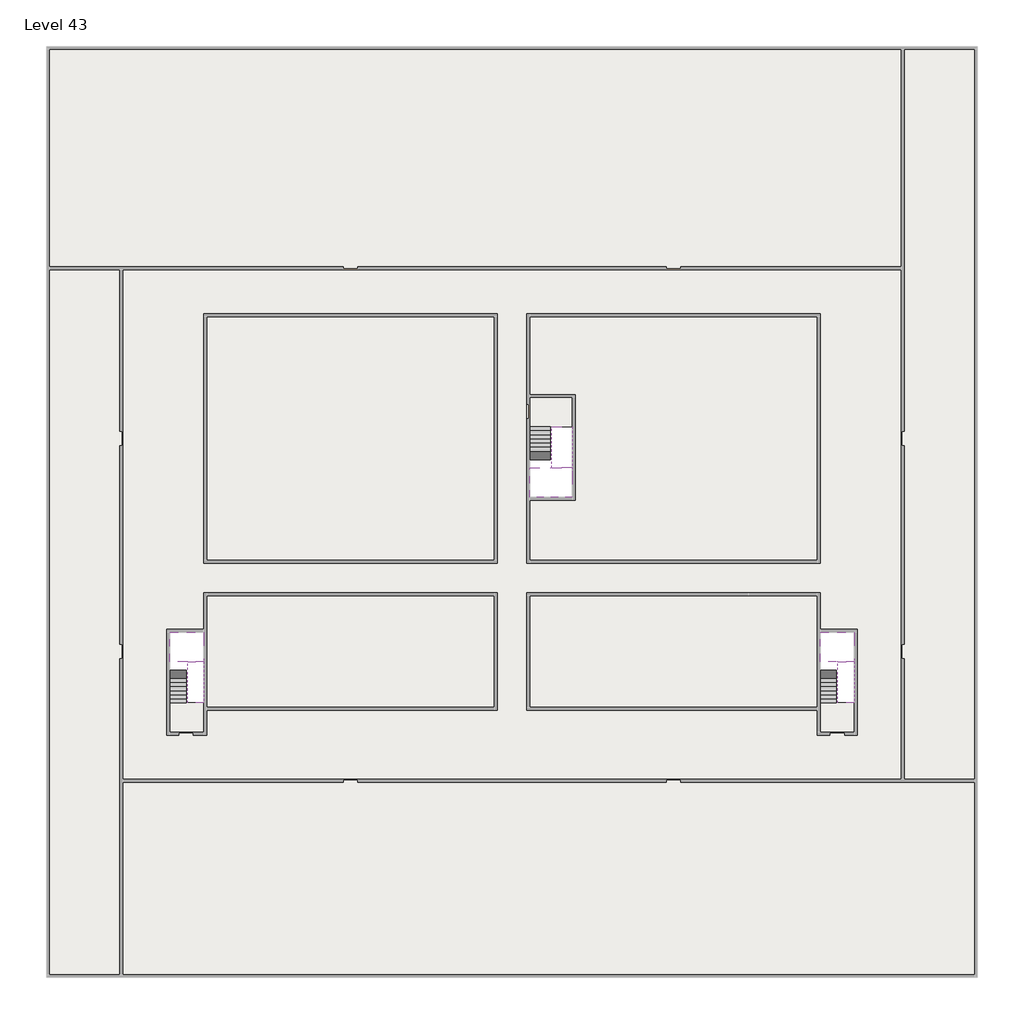
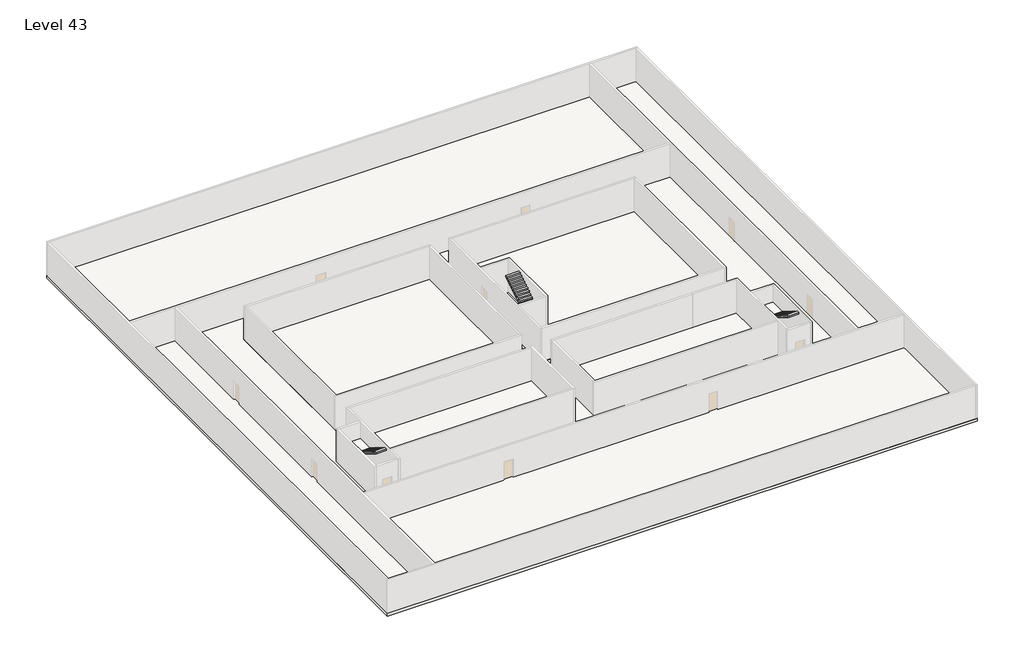
# One storey, part 2 of 2: 6 slabs, 6 stair flights.
"""IFC4 building model written with IfcOpenShell, lengths in millimetres."""

from ifc_helpers import new_model, si_unit, frame, origin, place, context, project, spatial, polyline, outline, extrude, faceted_brep, element, save

model = new_model("IFC4")

# Units and contexts
model_context = context("Model", 3, world=origin())
ifc_project = project(units=[si_unit("LENGTHUNIT", "METRE", prefix="MILLI")], contexts=[model_context])

# Site, building, storey
site = spatial("IfcSite", under=ifc_project)
building = spatial("IfcBuilding", under=site)
storey = spatial("IfcBuildingStorey", under=building, Name="Level 43", Elevation=159600.0)

# Slabs
placement = place(None, origin())
element("IfcSlab", 1, at=placement, inside=storey, context=model_context, shape_type="SweptSolid", body=[
    extrude(outline(polyline([(55890.1058784, -5518.09644), (55890.1058784, -68918.09644), (-7509.8941216, -68918.09644), (-7509.8941216, -5518.09644), (55890.1058784, -5518.09644)]), holes=[polyline([(23190.1058784, -23718.09644), (3190.1058784, -23718.09644), (3190.1058784, -40718.09644), (23190.1058784, -40718.09644), (23190.1058784, -23718.09644)]), polyline([(45190.1058784, -23718.09644), (25190.1058784, -23718.09644), (25190.1058784, -40718.09644), (45190.1058784, -40718.09644), (45190.1058784, -23718.09644)]), polyline([(23190.1058784, -42718.09644), (3390.1058784, -42718.09644), (3390.1058784, -45418.09644), (890.1058784, -45418.09644), (890.1058784, -52218.09644), (3190.1058784, -52218.09644), (3190.1058784, -50718.09644), (23190.1058784, -50718.09644), (23190.1058784, -42718.09644)]), polyline([(44990.1058784, -42718.09644), (25190.1058784, -42718.09644), (25190.1058784, -50718.09644), (45190.1058784, -50718.09644), (45190.1058784, -52218.09644), (47490.1058784, -52218.09644), (47490.1058784, -45418.09644), (44990.1058784, -45418.09644), (44990.1058784, -42718.09644)])]), frame((0.0, 0.0, 159300.0), z_axis=(0.0, 0.0, 1.0), x_axis=(1.0, 0.0, 0.0)), (0.0, 0.0, 1.0), 300.0),
])
element("IfcSlab", 2, at=placement, inside=storey, context=model_context, shape_type="Brep", body=[
    faceted_brep([(26790.1058784, -34218.09644, 161500.0), (25390.1058784, -34218.09644, 161500.0), (25390.1058784, -34297.4828763, 161500.0), (25390.1058784, -36218.09644, 161500.0), (28290.1058784, -36218.09644, 161500.0), (28290.1058784, -34418.7100038, 161500.0), (28290.1058784, -34218.09644, 161500.0), (26890.1058784, -34218.09644, 161500.0), (26790.1058784, -34218.09644, 161200.0), (26790.1058784, -34218.09644, 161151.0278478), (25390.1058784, -34218.09644, 161151.0278478), (25390.1058784, -34218.09644, 161327.2727273), (25390.1058784, -34297.4828763, 161200.0), (25390.1058784, -36218.09644, 161200.0), (28290.1058784, -36218.09644, 161200.0), (28290.1058784, -34418.7100038, 161200.0), (28290.1058784, -34218.09644, 161323.7551205), (26890.1058784, -34218.09644, 161323.7551205), (26890.1058784, -34218.09644, 161200.0), (26890.1058784, -34418.7100038, 161200.0), (26790.1058784, -34297.4828763, 161200.0)], [[[0, 1, 2, 3, 4, 5, 6, 7]], [[1, 0, 8, 9, 10, 11]], [[1, 11, 10, 12, 13, 3, 2]], [[4, 3, 13, 14]], [[4, 14, 15, 16, 6, 5]], [[7, 6, 16, 17]], [[0, 7, 17, 18, 8]], [[18, 19, 15, 14, 13, 12, 20, 8]], [[19, 18, 17]], [[20, 12, 10, 9]], [[8, 20, 9]], [[15, 19, 17, 16]]]),
])
element("IfcSlab", 3, at=placement, inside=storey, context=model_context, shape_type="Brep", body=[
    faceted_brep([(45190.1058784, -47418.09644, 161500.0), (46290.1058784, -47418.09644, 161500.0), (46390.1058784, -47418.09644, 161500.0), (47490.1058784, -47418.09644, 161500.0), (47490.1058784, -47217.4828763, 161500.0), (47490.1058784, -45418.09644, 161500.0), (45190.1058784, -45418.09644, 161500.0), (45190.1058784, -47338.7100038, 161500.0), (45190.1058784, -47418.09644, 161327.2727273), (45190.1058784, -47418.09644, 161151.0278478), (46290.1058784, -47418.09644, 161151.0278478), (46290.1058784, -47418.09644, 161200.0), (46390.1058784, -47418.09644, 161200.0), (46390.1058784, -47418.09644, 161323.7551205), (47490.1058784, -47418.09644, 161323.7551205), (47490.1058784, -47217.4828763, 161200.0), (47490.1058784, -45418.09644, 161200.0), (45190.1058784, -45418.09644, 161200.0), (45190.1058784, -47338.7100038, 161200.0), (46390.1058784, -47217.4828763, 161200.0), (46290.1058784, -47338.7100038, 161200.0)], [[[0, 1, 2, 3, 4, 5, 6, 7]], [[1, 0, 8, 9, 10, 11]], [[2, 1, 11, 12, 13]], [[3, 2, 13, 14]], [[3, 14, 15, 16, 5, 4]], [[6, 5, 16, 17]], [[9, 8, 0, 7, 6, 17, 18]], [[19, 12, 11, 20, 18, 17, 16, 15]], [[12, 19, 13]], [[18, 20, 10, 9]], [[20, 11, 10]], [[19, 15, 14, 13]]]),
])
element("IfcSlab", 4, at=placement, inside=storey, context=model_context, shape_type="Brep", body=[
    faceted_brep([(890.1058784, -47418.09644, 161500.0), (1990.1058784, -47418.09644, 161500.0), (2090.1058784, -47418.09644, 161500.0), (3190.1058784, -47418.09644, 161500.0), (3190.1058784, -47217.4828763, 161500.0), (3190.1058784, -45418.09644, 161500.0), (890.1058784, -45418.09644, 161500.0), (890.1058784, -47338.7100038, 161500.0), (890.1058784, -47418.09644, 161327.2727273), (890.1058784, -47418.09644, 161151.0278478), (1990.1058784, -47418.09644, 161151.0278478), (1990.1058784, -47418.09644, 161200.0), (2090.1058784, -47418.09644, 161200.0), (2090.1058784, -47418.09644, 161323.7551205), (3190.1058784, -47418.09644, 161323.7551205), (3190.1058784, -47217.4828763, 161200.0), (3190.1058784, -45418.09644, 161200.0), (890.1058784, -45418.09644, 161200.0), (890.1058784, -47338.7100038, 161200.0), (2090.1058784, -47217.4828763, 161200.0), (1990.1058784, -47338.7100038, 161200.0)], [[[0, 1, 2, 3, 4, 5, 6, 7]], [[1, 0, 8, 9, 10, 11]], [[2, 1, 11, 12, 13]], [[3, 2, 13, 14]], [[3, 14, 15, 16, 5, 4]], [[6, 5, 16, 17]], [[9, 8, 0, 7, 6, 17, 18]], [[19, 12, 11, 20, 18, 17, 16, 15]], [[12, 19, 13]], [[18, 20, 10, 9]], [[20, 11, 10]], [[19, 15, 14, 13]]]),
])
element("IfcSlab", 5, at=placement, inside=storey, context=model_context, shape_type="SweptSolid", body=[
    extrude(outline(polyline([(22990.1058784, -23918.09644), (22990.1058784, -40518.09644), (3390.1058784, -40518.09644), (3390.1058784, -23918.09644), (22990.1058784, -23918.09644)])), frame((0.0, 0.0, 159300.0), z_axis=(0.0, 0.0, 1.0), x_axis=(1.0, 0.0, 0.0)), (0.0, 0.0, 1.0), 300.0),
    extrude(outline(polyline([(44990.1058784, -23918.09644), (44990.1058784, -40518.09644), (25390.1058784, -40518.09644), (25390.1058784, -36418.09644), (28490.1058784, -36418.09644), (28490.1058784, -29218.09644), (25390.1058784, -29218.09644), (25390.1058784, -23918.09644), (44990.1058784, -23918.09644)])), frame((0.0, 0.0, 159300.0), z_axis=(0.0, 0.0, 1.0), x_axis=(1.0, 0.0, 0.0)), (0.0, 0.0, 1.0), 300.0),
    extrude(outline(polyline([(22990.1058784, -42918.09644), (22990.1058784, -50518.09644), (3390.1058784, -50518.09644), (3390.1058784, -42918.09644), (22990.1058784, -42918.09644)])), frame((0.0, 0.0, 159300.0), z_axis=(0.0, 0.0, 1.0), x_axis=(1.0, 0.0, 0.0)), (0.0, 0.0, 1.0), 300.0),
    extrude(outline(polyline([(44990.1058784, -42918.09644), (44990.1058784, -50518.09644), (25390.1058784, -50518.09644), (25390.1058784, -42918.09644), (44990.1058784, -42918.09644)])), frame((0.0, 0.0, 159300.0), z_axis=(0.0, 0.0, 1.0), x_axis=(1.0, 0.0, 0.0)), (0.0, 0.0, 1.0), 300.0),
])
element("IfcSlab", 6, at=placement, inside=storey, context=model_context, shape_type="SweptSolid", body=[
    extrude(outline(polyline([(28290.1058784, -29418.09644), (28290.1058784, -31418.09644), (25190.1058784, -31418.09644), (25190.1058784, -29418.09644), (28290.1058784, -29418.09644)])), frame((0.0, 0.0, 159300.0), z_axis=(0.0, 0.0, 1.0), x_axis=(1.0, 0.0, 0.0)), (0.0, 0.0, 1.0), 300.0),
    extrude(outline(polyline([(3190.1058784, -50218.09644), (3190.1058784, -52218.09644), (890.1058784, -52218.09644), (890.1058784, -50218.09644), (3190.1058784, -50218.09644)])), frame((0.0, 0.0, 159300.0), z_axis=(0.0, 0.0, 1.0), x_axis=(1.0, 0.0, 0.0)), (0.0, 0.0, 1.0), 300.0),
    extrude(outline(polyline([(47490.1058784, -50218.09644), (47490.1058784, -52218.09644), (45190.1058784, -52218.09644), (45190.1058784, -50218.09644), (47490.1058784, -50218.09644)])), frame((0.0, 0.0, 159300.0), z_axis=(0.0, 0.0, 1.0), x_axis=(1.0, 0.0, 0.0)), (0.0, 0.0, 1.0), 300.0),
])

# Stair flights
element("IfcStairFlight", 7, at=placement, inside=storey, context=model_context, shape_type="Brep", body=[
    faceted_brep([(26790.1058784, -31698.09644, 159772.7272727), (26790.1058784, -31418.09644, 159772.7272727), (25390.1058784, -31418.09644, 159772.7272727), (25390.1058784, -31698.09644, 159772.7272727), (26790.1058784, -31698.09644, 159600.0), (26790.1058784, -31418.09644, 159600.0), (25390.1058784, -31418.09644, 159600.0), (25390.1058784, -31698.09644, 159600.0), (26790.1058784, -31978.09644, 159945.4545455), (26790.1058784, -31698.09644, 159945.4545455), (25390.1058784, -31698.09644, 159945.4545455), (25390.1058784, -31978.09644, 159945.4545455), (26790.1058784, -31978.09644, 159769.209666), (26790.1058784, -31703.7986657, 159600.0), (25390.1058784, -31703.7986657, 159600.0), (25390.1058784, -31978.09644, 159769.209666), (26790.1058784, -32258.09644, 160118.1818182), (26790.1058784, -31978.09644, 160118.1818182), (25390.1058784, -31978.09644, 160118.1818182), (25390.1058784, -32258.09644, 160118.1818182), (26790.1058784, -32258.09644, 159941.9369387), (25390.1058784, -32258.09644, 159941.9369387), (26790.1058784, -32538.09644, 160290.9090909), (26790.1058784, -32258.09644, 160290.9090909), (25390.1058784, -32258.09644, 160290.9090909), (25390.1058784, -32538.09644, 160290.9090909), (26790.1058784, -32538.09644, 160114.6642114), (25390.1058784, -32538.09644, 160114.6642114), (26790.1058784, -32818.09644, 160463.6363636), (26790.1058784, -32538.09644, 160463.6363636), (25390.1058784, -32538.09644, 160463.6363636), (25390.1058784, -32818.09644, 160463.6363636), (26790.1058784, -32818.09644, 160287.3914841), (25390.1058784, -32818.09644, 160287.3914841), (26790.1058784, -33098.09644, 160636.3636364), (26790.1058784, -32818.09644, 160636.3636364), (25390.1058784, -32818.09644, 160636.3636364), (25390.1058784, -33098.09644, 160636.3636364), (26790.1058784, -33098.09644, 160460.1187569), (25390.1058784, -33098.09644, 160460.1187569), (26790.1058784, -33378.09644, 160809.0909091), (26790.1058784, -33098.09644, 160809.0909091), (25390.1058784, -33098.09644, 160809.0909091), (25390.1058784, -33378.09644, 160809.0909091), (26790.1058784, -33378.09644, 160632.8460296), (25390.1058784, -33378.09644, 160632.8460296), (26790.1058784, -33658.09644, 160981.8181818), (26790.1058784, -33378.09644, 160981.8181818), (25390.1058784, -33378.09644, 160981.8181818), (25390.1058784, -33658.09644, 160981.8181818), (26790.1058784, -33658.09644, 160805.5733023), (25390.1058784, -33658.09644, 160805.5733023), (26790.1058784, -33938.09644, 161154.5454545), (26790.1058784, -33658.09644, 161154.5454545), (25390.1058784, -33658.09644, 161154.5454545), (25390.1058784, -33938.09644, 161154.5454545), (26790.1058784, -33938.09644, 160978.3005751), (25390.1058784, -33938.09644, 160978.3005751), (26790.1058784, -34218.09644, 161327.2727273), (26790.1058784, -33938.09644, 161327.2727273), (25390.1058784, -33938.09644, 161327.2727273), (25390.1058784, -34218.09644, 161327.2727273), (26790.1058784, -34218.09644, 161200.0), (26790.1058784, -34218.09644, 161151.0278478), (25390.1058784, -34218.09644, 161151.0278478)], [[[0, 1, 2, 3]], [[1, 0, 4, 5]], [[2, 1, 5, 6]], [[3, 2, 6, 7]], [[8, 9, 10, 11]], [[4, 0, 9, 8, 12, 13]], [[0, 3, 10, 9]], [[3, 7, 14, 15, 11, 10]], [[16, 17, 18, 19]], [[17, 16, 20, 12, 8]], [[8, 11, 18, 17]], [[19, 18, 11, 15, 21]], [[22, 23, 24, 25]], [[23, 22, 26, 20, 16]], [[16, 19, 24, 23]], [[25, 24, 19, 21, 27]], [[28, 29, 30, 31]], [[29, 28, 32, 26, 22]], [[22, 25, 30, 29]], [[31, 30, 25, 27, 33]], [[34, 35, 36, 37]], [[35, 34, 38, 32, 28]], [[28, 31, 36, 35]], [[37, 36, 31, 33, 39]], [[40, 41, 42, 43]], [[41, 40, 44, 38, 34]], [[34, 37, 42, 41]], [[43, 42, 37, 39, 45]], [[46, 47, 48, 49]], [[47, 46, 50, 44, 40]], [[40, 43, 48, 47]], [[49, 48, 43, 45, 51]], [[52, 53, 54, 55]], [[53, 52, 56, 50, 46]], [[46, 49, 54, 53]], [[55, 54, 49, 51, 57]], [[58, 59, 60, 61]], [[59, 58, 62, 63, 56, 52]], [[52, 55, 60, 59]], [[61, 60, 55, 57, 64]], [[58, 61, 64, 63, 62]], [[5, 4, 13, 14, 7, 6]], [[14, 13, 12, 20, 26, 32, 38, 44, 50, 56, 63, 64, 57, 51, 45, 39, 33, 27, 21, 15]]]),
])
element("IfcStairFlight", 8, at=placement, inside=storey, context=model_context, shape_type="Brep", body=[
    faceted_brep([(26890.1058784, -33938.09644, 161672.7272727), (26890.1058784, -34218.09644, 161672.7272727), (28290.1058784, -34218.09644, 161672.7272727), (28290.1058784, -33938.09644, 161672.7272727), (26890.1058784, -33938.09644, 161496.4823932), (26890.1058784, -34218.09644, 161323.7551205), (28290.1058784, -34218.09644, 161323.7551205), (28290.1058784, -34218.09644, 161500.0), (28290.1058784, -33938.09644, 161496.4823932), (26890.1058784, -33658.09644, 161845.4545455), (26890.1058784, -33938.09644, 161845.4545455), (28290.1058784, -33938.09644, 161845.4545455), (28290.1058784, -33658.09644, 161845.4545455), (26890.1058784, -33658.09644, 161669.209666), (28290.1058784, -33658.09644, 161669.209666), (26890.1058784, -33378.09644, 162018.1818182), (26890.1058784, -33658.09644, 162018.1818182), (28290.1058784, -33658.09644, 162018.1818182), (28290.1058784, -33378.09644, 162018.1818182), (26890.1058784, -33378.09644, 161841.9369387), (28290.1058784, -33378.09644, 161841.9369387), (26890.1058784, -33098.09644, 162190.9090909), (26890.1058784, -33378.09644, 162190.9090909), (28290.1058784, -33378.09644, 162190.9090909), (28290.1058784, -33098.09644, 162190.9090909), (26890.1058784, -33098.09644, 162014.6642114), (28290.1058784, -33098.09644, 162014.6642114), (26890.1058784, -32818.09644, 162363.6363636), (26890.1058784, -33098.09644, 162363.6363636), (28290.1058784, -33098.09644, 162363.6363636), (28290.1058784, -32818.09644, 162363.6363636), (26890.1058784, -32818.09644, 162187.3914841), (28290.1058784, -32818.09644, 162187.3914841), (26890.1058784, -32538.09644, 162536.3636364), (26890.1058784, -32818.09644, 162536.3636364), (28290.1058784, -32818.09644, 162536.3636364), (28290.1058784, -32538.09644, 162536.3636364), (26890.1058784, -32538.09644, 162360.1187569), (28290.1058784, -32538.09644, 162360.1187569), (26890.1058784, -32258.09644, 162709.0909091), (26890.1058784, -32538.09644, 162709.0909091), (28290.1058784, -32538.09644, 162709.0909091), (28290.1058784, -32258.09644, 162709.0909091), (26890.1058784, -32258.09644, 162532.8460296), (28290.1058784, -32258.09644, 162532.8460296), (26890.1058784, -31978.09644, 162881.8181818), (26890.1058784, -32258.09644, 162881.8181818), (28290.1058784, -32258.09644, 162881.8181818), (28290.1058784, -31978.09644, 162881.8181818), (26890.1058784, -31978.09644, 162705.5733023), (28290.1058784, -31978.09644, 162705.5733023), (26890.1058784, -31698.09644, 163054.5454545), (26890.1058784, -31978.09644, 163054.5454545), (28290.1058784, -31978.09644, 163054.5454545), (28290.1058784, -31698.09644, 163054.5454545), (26890.1058784, -31698.09644, 162878.3005751), (28290.1058784, -31698.09644, 162878.3005751), (26890.1058784, -31418.09644, 163227.2727273), (26890.1058784, -31698.09644, 163227.2727273), (28290.1058784, -31698.09644, 163227.2727273), (28290.1058784, -31418.09644, 163227.2727273), (26890.1058784, -31418.09644, 163051.0278478), (28290.1058784, -31418.09644, 163051.0278478)], [[[0, 1, 2, 3]], [[1, 0, 4, 5]], [[2, 1, 5, 6, 7]], [[3, 2, 7, 6, 8]], [[9, 10, 11, 12]], [[10, 9, 13, 4, 0]], [[11, 10, 0, 3]], [[12, 11, 3, 8, 14]], [[15, 16, 17, 18]], [[16, 15, 19, 13, 9]], [[17, 16, 9, 12]], [[18, 17, 12, 14, 20]], [[21, 22, 23, 24]], [[22, 21, 25, 19, 15]], [[23, 22, 15, 18]], [[24, 23, 18, 20, 26]], [[27, 28, 29, 30]], [[28, 27, 31, 25, 21]], [[29, 28, 21, 24]], [[30, 29, 24, 26, 32]], [[33, 34, 35, 36]], [[34, 33, 37, 31, 27]], [[35, 34, 27, 30]], [[36, 35, 30, 32, 38]], [[39, 40, 41, 42]], [[40, 39, 43, 37, 33]], [[41, 40, 33, 36]], [[42, 41, 36, 38, 44]], [[45, 46, 47, 48]], [[46, 45, 49, 43, 39]], [[47, 46, 39, 42]], [[48, 47, 42, 44, 50]], [[51, 52, 53, 54]], [[52, 51, 55, 49, 45]], [[53, 52, 45, 48]], [[54, 53, 48, 50, 56]], [[57, 58, 59, 60]], [[58, 57, 61, 55, 51]], [[59, 58, 51, 54]], [[60, 59, 54, 56, 62]], [[57, 60, 62, 61]], [[5, 4, 13, 19, 25, 31, 37, 43, 49, 55, 61, 62, 56, 50, 44, 38, 32, 26, 20, 14, 8, 6]]]),
])
element("IfcStairFlight", 9, at=placement, inside=storey, context=model_context, shape_type="Brep", body=[
    faceted_brep([(45190.1058784, -49938.09644, 159772.7272727), (45190.1058784, -50218.09644, 159772.7272727), (46290.1058784, -50218.09644, 159772.7272727), (46290.1058784, -49938.09644, 159772.7272727), (45190.1058784, -49938.09644, 159600.0), (45190.1058784, -50218.09644, 159600.0), (46290.1058784, -50218.09644, 159600.0), (46290.1058784, -49938.09644, 159600.0), (45190.1058784, -49658.09644, 159945.4545455), (45190.1058784, -49938.09644, 159945.4545455), (46290.1058784, -49938.09644, 159945.4545455), (46290.1058784, -49658.09644, 159945.4545455), (45190.1058784, -49658.09644, 159769.209666), (45190.1058784, -49932.3942143, 159600.0), (46290.1058784, -49932.3942143, 159600.0), (46290.1058784, -49658.09644, 159769.209666), (45190.1058784, -49378.09644, 160118.1818182), (45190.1058784, -49658.09644, 160118.1818182), (46290.1058784, -49658.09644, 160118.1818182), (46290.1058784, -49378.09644, 160118.1818182), (45190.1058784, -49378.09644, 159941.9369387), (46290.1058784, -49378.09644, 159941.9369387), (45190.1058784, -49098.09644, 160290.9090909), (45190.1058784, -49378.09644, 160290.9090909), (46290.1058784, -49378.09644, 160290.9090909), (46290.1058784, -49098.09644, 160290.9090909), (45190.1058784, -49098.09644, 160114.6642114), (46290.1058784, -49098.09644, 160114.6642114), (45190.1058784, -48818.09644, 160463.6363636), (45190.1058784, -49098.09644, 160463.6363636), (46290.1058784, -49098.09644, 160463.6363636), (46290.1058784, -48818.09644, 160463.6363636), (45190.1058784, -48818.09644, 160287.3914841), (46290.1058784, -48818.09644, 160287.3914841), (45190.1058784, -48538.09644, 160636.3636364), (45190.1058784, -48818.09644, 160636.3636364), (46290.1058784, -48818.09644, 160636.3636364), (46290.1058784, -48538.09644, 160636.3636364), (45190.1058784, -48538.09644, 160460.1187569), (46290.1058784, -48538.09644, 160460.1187569), (45190.1058784, -48258.09644, 160809.0909091), (45190.1058784, -48538.09644, 160809.0909091), (46290.1058784, -48538.09644, 160809.0909091), (46290.1058784, -48258.09644, 160809.0909091), (45190.1058784, -48258.09644, 160632.8460296), (46290.1058784, -48258.09644, 160632.8460296), (45190.1058784, -47978.09644, 160981.8181818), (45190.1058784, -48258.09644, 160981.8181818), (46290.1058784, -48258.09644, 160981.8181818), (46290.1058784, -47978.09644, 160981.8181818), (45190.1058784, -47978.09644, 160805.5733023), (46290.1058784, -47978.09644, 160805.5733023), (45190.1058784, -47698.09644, 161154.5454545), (45190.1058784, -47978.09644, 161154.5454545), (46290.1058784, -47978.09644, 161154.5454545), (46290.1058784, -47698.09644, 161154.5454545), (45190.1058784, -47698.09644, 160978.3005751), (46290.1058784, -47698.09644, 160978.3005751), (45190.1058784, -47418.09644, 161327.2727273), (45190.1058784, -47698.09644, 161327.2727273), (46290.1058784, -47698.09644, 161327.2727273), (46290.1058784, -47418.09644, 161327.2727273), (45190.1058784, -47418.09644, 161151.0278478), (46290.1058784, -47418.09644, 161151.0278478), (46290.1058784, -47418.09644, 161200.0)], [[[0, 1, 2, 3]], [[1, 0, 4, 5]], [[2, 1, 5, 6]], [[3, 2, 6, 7]], [[8, 9, 10, 11]], [[4, 0, 9, 8, 12, 13]], [[0, 3, 10, 9]], [[3, 7, 14, 15, 11, 10]], [[16, 17, 18, 19]], [[17, 16, 20, 12, 8]], [[8, 11, 18, 17]], [[19, 18, 11, 15, 21]], [[22, 23, 24, 25]], [[23, 22, 26, 20, 16]], [[16, 19, 24, 23]], [[25, 24, 19, 21, 27]], [[28, 29, 30, 31]], [[29, 28, 32, 26, 22]], [[22, 25, 30, 29]], [[31, 30, 25, 27, 33]], [[34, 35, 36, 37]], [[35, 34, 38, 32, 28]], [[28, 31, 36, 35]], [[37, 36, 31, 33, 39]], [[40, 41, 42, 43]], [[41, 40, 44, 38, 34]], [[34, 37, 42, 41]], [[43, 42, 37, 39, 45]], [[46, 47, 48, 49]], [[47, 46, 50, 44, 40]], [[40, 43, 48, 47]], [[49, 48, 43, 45, 51]], [[52, 53, 54, 55]], [[53, 52, 56, 50, 46]], [[46, 49, 54, 53]], [[55, 54, 49, 51, 57]], [[58, 59, 60, 61]], [[59, 58, 62, 56, 52]], [[52, 55, 60, 59]], [[61, 60, 55, 57, 63, 64]], [[58, 61, 64, 63, 62]], [[5, 4, 13, 14, 7, 6]], [[14, 13, 12, 20, 26, 32, 38, 44, 50, 56, 62, 63, 57, 51, 45, 39, 33, 27, 21, 15]]]),
])
element("IfcStairFlight", 10, at=placement, inside=storey, context=model_context, shape_type="Brep", body=[
    faceted_brep([(47490.1058784, -47698.09644, 161672.7272727), (47490.1058784, -47418.09644, 161672.7272727), (46390.1058784, -47418.09644, 161672.7272727), (46390.1058784, -47698.09644, 161672.7272727), (47490.1058784, -47698.09644, 161496.4823932), (47490.1058784, -47418.09644, 161323.7551205), (47490.1058784, -47418.09644, 161500.0), (46390.1058784, -47418.09644, 161323.7551205), (46390.1058784, -47698.09644, 161496.4823932), (47490.1058784, -47978.09644, 161845.4545455), (47490.1058784, -47698.09644, 161845.4545455), (46390.1058784, -47698.09644, 161845.4545455), (46390.1058784, -47978.09644, 161845.4545455), (47490.1058784, -47978.09644, 161669.209666), (46390.1058784, -47978.09644, 161669.209666), (47490.1058784, -48258.09644, 162018.1818182), (47490.1058784, -47978.09644, 162018.1818182), (46390.1058784, -47978.09644, 162018.1818182), (46390.1058784, -48258.09644, 162018.1818182), (47490.1058784, -48258.09644, 161841.9369387), (46390.1058784, -48258.09644, 161841.9369387), (47490.1058784, -48538.09644, 162190.9090909), (47490.1058784, -48258.09644, 162190.9090909), (46390.1058784, -48258.09644, 162190.9090909), (46390.1058784, -48538.09644, 162190.9090909), (47490.1058784, -48538.09644, 162014.6642114), (46390.1058784, -48538.09644, 162014.6642114), (47490.1058784, -48818.09644, 162363.6363636), (47490.1058784, -48538.09644, 162363.6363636), (46390.1058784, -48538.09644, 162363.6363636), (46390.1058784, -48818.09644, 162363.6363636), (47490.1058784, -48818.09644, 162187.3914841), (46390.1058784, -48818.09644, 162187.3914841), (47490.1058784, -49098.09644, 162536.3636364), (47490.1058784, -48818.09644, 162536.3636364), (46390.1058784, -48818.09644, 162536.3636364), (46390.1058784, -49098.09644, 162536.3636364), (47490.1058784, -49098.09644, 162360.1187569), (46390.1058784, -49098.09644, 162360.1187569), (47490.1058784, -49378.09644, 162709.0909091), (47490.1058784, -49098.09644, 162709.0909091), (46390.1058784, -49098.09644, 162709.0909091), (46390.1058784, -49378.09644, 162709.0909091), (47490.1058784, -49378.09644, 162532.8460296), (46390.1058784, -49378.09644, 162532.8460296), (47490.1058784, -49658.09644, 162881.8181818), (47490.1058784, -49378.09644, 162881.8181818), (46390.1058784, -49378.09644, 162881.8181818), (46390.1058784, -49658.09644, 162881.8181818), (47490.1058784, -49658.09644, 162705.5733023), (46390.1058784, -49658.09644, 162705.5733023), (47490.1058784, -49938.09644, 163054.5454545), (47490.1058784, -49658.09644, 163054.5454545), (46390.1058784, -49658.09644, 163054.5454545), (46390.1058784, -49938.09644, 163054.5454545), (47490.1058784, -49938.09644, 162878.3005751), (46390.1058784, -49938.09644, 162878.3005751), (47490.1058784, -50218.09644, 163227.2727273), (47490.1058784, -49938.09644, 163227.2727273), (46390.1058784, -49938.09644, 163227.2727273), (46390.1058784, -50218.09644, 163227.2727273), (47490.1058784, -50218.09644, 163051.0278478), (46390.1058784, -50218.09644, 163051.0278478)], [[[0, 1, 2, 3]], [[1, 0, 4, 5, 6]], [[2, 1, 6, 5, 7]], [[3, 2, 7, 8]], [[9, 10, 11, 12]], [[10, 9, 13, 4, 0]], [[11, 10, 0, 3]], [[12, 11, 3, 8, 14]], [[15, 16, 17, 18]], [[16, 15, 19, 13, 9]], [[17, 16, 9, 12]], [[18, 17, 12, 14, 20]], [[21, 22, 23, 24]], [[22, 21, 25, 19, 15]], [[23, 22, 15, 18]], [[24, 23, 18, 20, 26]], [[27, 28, 29, 30]], [[28, 27, 31, 25, 21]], [[29, 28, 21, 24]], [[30, 29, 24, 26, 32]], [[33, 34, 35, 36]], [[34, 33, 37, 31, 27]], [[35, 34, 27, 30]], [[36, 35, 30, 32, 38]], [[39, 40, 41, 42]], [[40, 39, 43, 37, 33]], [[41, 40, 33, 36]], [[42, 41, 36, 38, 44]], [[45, 46, 47, 48]], [[46, 45, 49, 43, 39]], [[47, 46, 39, 42]], [[48, 47, 42, 44, 50]], [[51, 52, 53, 54]], [[52, 51, 55, 49, 45]], [[53, 52, 45, 48]], [[54, 53, 48, 50, 56]], [[57, 58, 59, 60]], [[58, 57, 61, 55, 51]], [[59, 58, 51, 54]], [[60, 59, 54, 56, 62]], [[57, 60, 62, 61]], [[5, 4, 13, 19, 25, 31, 37, 43, 49, 55, 61, 62, 56, 50, 44, 38, 32, 26, 20, 14, 8, 7]]]),
])
element("IfcStairFlight", 11, at=placement, inside=storey, context=model_context, shape_type="Brep", body=[
    faceted_brep([(890.1058784, -49938.09644, 159772.7272727), (890.1058784, -50218.09644, 159772.7272727), (1990.1058784, -50218.09644, 159772.7272727), (1990.1058784, -49938.09644, 159772.7272727), (890.1058784, -49938.09644, 159600.0), (890.1058784, -50218.09644, 159600.0), (1990.1058784, -50218.09644, 159600.0), (1990.1058784, -49938.09644, 159600.0), (890.1058784, -49658.09644, 159945.4545455), (890.1058784, -49938.09644, 159945.4545455), (1990.1058784, -49938.09644, 159945.4545455), (1990.1058784, -49658.09644, 159945.4545455), (890.1058784, -49658.09644, 159769.209666), (890.1058784, -49932.3942143, 159600.0), (1990.1058784, -49932.3942143, 159600.0), (1990.1058784, -49658.09644, 159769.209666), (890.1058784, -49378.09644, 160118.1818182), (890.1058784, -49658.09644, 160118.1818182), (1990.1058784, -49658.09644, 160118.1818182), (1990.1058784, -49378.09644, 160118.1818182), (890.1058784, -49378.09644, 159941.9369387), (1990.1058784, -49378.09644, 159941.9369387), (890.1058784, -49098.09644, 160290.9090909), (890.1058784, -49378.09644, 160290.9090909), (1990.1058784, -49378.09644, 160290.9090909), (1990.1058784, -49098.09644, 160290.9090909), (890.1058784, -49098.09644, 160114.6642114), (1990.1058784, -49098.09644, 160114.6642114), (890.1058784, -48818.09644, 160463.6363636), (890.1058784, -49098.09644, 160463.6363636), (1990.1058784, -49098.09644, 160463.6363636), (1990.1058784, -48818.09644, 160463.6363636), (890.1058784, -48818.09644, 160287.3914841), (1990.1058784, -48818.09644, 160287.3914841), (890.1058784, -48538.09644, 160636.3636364), (890.1058784, -48818.09644, 160636.3636364), (1990.1058784, -48818.09644, 160636.3636364), (1990.1058784, -48538.09644, 160636.3636364), (890.1058784, -48538.09644, 160460.1187569), (1990.1058784, -48538.09644, 160460.1187569), (890.1058784, -48258.09644, 160809.0909091), (890.1058784, -48538.09644, 160809.0909091), (1990.1058784, -48538.09644, 160809.0909091), (1990.1058784, -48258.09644, 160809.0909091), (890.1058784, -48258.09644, 160632.8460296), (1990.1058784, -48258.09644, 160632.8460296), (890.1058784, -47978.09644, 160981.8181818), (890.1058784, -48258.09644, 160981.8181818), (1990.1058784, -48258.09644, 160981.8181818), (1990.1058784, -47978.09644, 160981.8181818), (890.1058784, -47978.09644, 160805.5733023), (1990.1058784, -47978.09644, 160805.5733023), (890.1058784, -47698.09644, 161154.5454545), (890.1058784, -47978.09644, 161154.5454545), (1990.1058784, -47978.09644, 161154.5454545), (1990.1058784, -47698.09644, 161154.5454545), (890.1058784, -47698.09644, 160978.3005751), (1990.1058784, -47698.09644, 160978.3005751), (890.1058784, -47418.09644, 161327.2727273), (890.1058784, -47698.09644, 161327.2727273), (1990.1058784, -47698.09644, 161327.2727273), (1990.1058784, -47418.09644, 161327.2727273), (890.1058784, -47418.09644, 161151.0278478), (1990.1058784, -47418.09644, 161151.0278478), (1990.1058784, -47418.09644, 161200.0)], [[[0, 1, 2, 3]], [[1, 0, 4, 5]], [[2, 1, 5, 6]], [[3, 2, 6, 7]], [[8, 9, 10, 11]], [[4, 0, 9, 8, 12, 13]], [[0, 3, 10, 9]], [[3, 7, 14, 15, 11, 10]], [[16, 17, 18, 19]], [[17, 16, 20, 12, 8]], [[8, 11, 18, 17]], [[19, 18, 11, 15, 21]], [[22, 23, 24, 25]], [[23, 22, 26, 20, 16]], [[16, 19, 24, 23]], [[25, 24, 19, 21, 27]], [[28, 29, 30, 31]], [[29, 28, 32, 26, 22]], [[22, 25, 30, 29]], [[31, 30, 25, 27, 33]], [[34, 35, 36, 37]], [[35, 34, 38, 32, 28]], [[28, 31, 36, 35]], [[37, 36, 31, 33, 39]], [[40, 41, 42, 43]], [[41, 40, 44, 38, 34]], [[34, 37, 42, 41]], [[43, 42, 37, 39, 45]], [[46, 47, 48, 49]], [[47, 46, 50, 44, 40]], [[40, 43, 48, 47]], [[49, 48, 43, 45, 51]], [[52, 53, 54, 55]], [[53, 52, 56, 50, 46]], [[46, 49, 54, 53]], [[55, 54, 49, 51, 57]], [[58, 59, 60, 61]], [[59, 58, 62, 56, 52]], [[52, 55, 60, 59]], [[61, 60, 55, 57, 63, 64]], [[58, 61, 64, 63, 62]], [[5, 4, 13, 14, 7, 6]], [[14, 13, 12, 20, 26, 32, 38, 44, 50, 56, 62, 63, 57, 51, 45, 39, 33, 27, 21, 15]]]),
])
element("IfcStairFlight", 12, at=placement, inside=storey, context=model_context, shape_type="Brep", body=[
    faceted_brep([(3190.1058784, -47698.09644, 161672.7272727), (3190.1058784, -47418.09644, 161672.7272727), (2090.1058784, -47418.09644, 161672.7272727), (2090.1058784, -47698.09644, 161672.7272727), (3190.1058784, -47698.09644, 161496.4823932), (3190.1058784, -47418.09644, 161323.7551205), (3190.1058784, -47418.09644, 161500.0), (2090.1058784, -47418.09644, 161323.7551205), (2090.1058784, -47698.09644, 161496.4823932), (3190.1058784, -47978.09644, 161845.4545455), (3190.1058784, -47698.09644, 161845.4545455), (2090.1058784, -47698.09644, 161845.4545455), (2090.1058784, -47978.09644, 161845.4545455), (3190.1058784, -47978.09644, 161669.209666), (2090.1058784, -47978.09644, 161669.209666), (3190.1058784, -48258.09644, 162018.1818182), (3190.1058784, -47978.09644, 162018.1818182), (2090.1058784, -47978.09644, 162018.1818182), (2090.1058784, -48258.09644, 162018.1818182), (3190.1058784, -48258.09644, 161841.9369387), (2090.1058784, -48258.09644, 161841.9369387), (3190.1058784, -48538.09644, 162190.9090909), (3190.1058784, -48258.09644, 162190.9090909), (2090.1058784, -48258.09644, 162190.9090909), (2090.1058784, -48538.09644, 162190.9090909), (3190.1058784, -48538.09644, 162014.6642114), (2090.1058784, -48538.09644, 162014.6642114), (3190.1058784, -48818.09644, 162363.6363636), (3190.1058784, -48538.09644, 162363.6363636), (2090.1058784, -48538.09644, 162363.6363636), (2090.1058784, -48818.09644, 162363.6363636), (3190.1058784, -48818.09644, 162187.3914841), (2090.1058784, -48818.09644, 162187.3914841), (3190.1058784, -49098.09644, 162536.3636364), (3190.1058784, -48818.09644, 162536.3636364), (2090.1058784, -48818.09644, 162536.3636364), (2090.1058784, -49098.09644, 162536.3636364), (3190.1058784, -49098.09644, 162360.1187569), (2090.1058784, -49098.09644, 162360.1187569), (3190.1058784, -49378.09644, 162709.0909091), (3190.1058784, -49098.09644, 162709.0909091), (2090.1058784, -49098.09644, 162709.0909091), (2090.1058784, -49378.09644, 162709.0909091), (3190.1058784, -49378.09644, 162532.8460296), (2090.1058784, -49378.09644, 162532.8460296), (3190.1058784, -49658.09644, 162881.8181818), (3190.1058784, -49378.09644, 162881.8181818), (2090.1058784, -49378.09644, 162881.8181818), (2090.1058784, -49658.09644, 162881.8181818), (3190.1058784, -49658.09644, 162705.5733023), (2090.1058784, -49658.09644, 162705.5733023), (3190.1058784, -49938.09644, 163054.5454545), (3190.1058784, -49658.09644, 163054.5454545), (2090.1058784, -49658.09644, 163054.5454545), (2090.1058784, -49938.09644, 163054.5454545), (3190.1058784, -49938.09644, 162878.3005751), (2090.1058784, -49938.09644, 162878.3005751), (3190.1058784, -50218.09644, 163227.2727273), (3190.1058784, -49938.09644, 163227.2727273), (2090.1058784, -49938.09644, 163227.2727273), (2090.1058784, -50218.09644, 163227.2727273), (3190.1058784, -50218.09644, 163051.0278478), (2090.1058784, -50218.09644, 163051.0278478)], [[[0, 1, 2, 3]], [[1, 0, 4, 5, 6]], [[2, 1, 6, 5, 7]], [[3, 2, 7, 8]], [[9, 10, 11, 12]], [[10, 9, 13, 4, 0]], [[11, 10, 0, 3]], [[12, 11, 3, 8, 14]], [[15, 16, 17, 18]], [[16, 15, 19, 13, 9]], [[17, 16, 9, 12]], [[18, 17, 12, 14, 20]], [[21, 22, 23, 24]], [[22, 21, 25, 19, 15]], [[23, 22, 15, 18]], [[24, 23, 18, 20, 26]], [[27, 28, 29, 30]], [[28, 27, 31, 25, 21]], [[29, 28, 21, 24]], [[30, 29, 24, 26, 32]], [[33, 34, 35, 36]], [[34, 33, 37, 31, 27]], [[35, 34, 27, 30]], [[36, 35, 30, 32, 38]], [[39, 40, 41, 42]], [[40, 39, 43, 37, 33]], [[41, 40, 33, 36]], [[42, 41, 36, 38, 44]], [[45, 46, 47, 48]], [[46, 45, 49, 43, 39]], [[47, 46, 39, 42]], [[48, 47, 42, 44, 50]], [[51, 52, 53, 54]], [[52, 51, 55, 49, 45]], [[53, 52, 45, 48]], [[54, 53, 48, 50, 56]], [[57, 58, 59, 60]], [[58, 57, 61, 55, 51]], [[59, 58, 51, 54]], [[60, 59, 54, 56, 62]], [[57, 60, 62, 61]], [[5, 4, 13, 19, 25, 31, 37, 43, 49, 55, 61, 62, 56, 50, 44, 38, 32, 26, 20, 14, 8, 7]]]),
])

save(model, "model.ifc")
